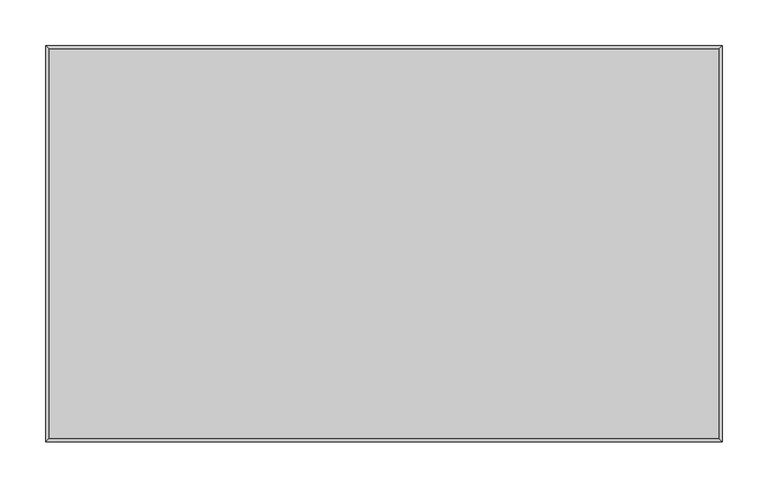
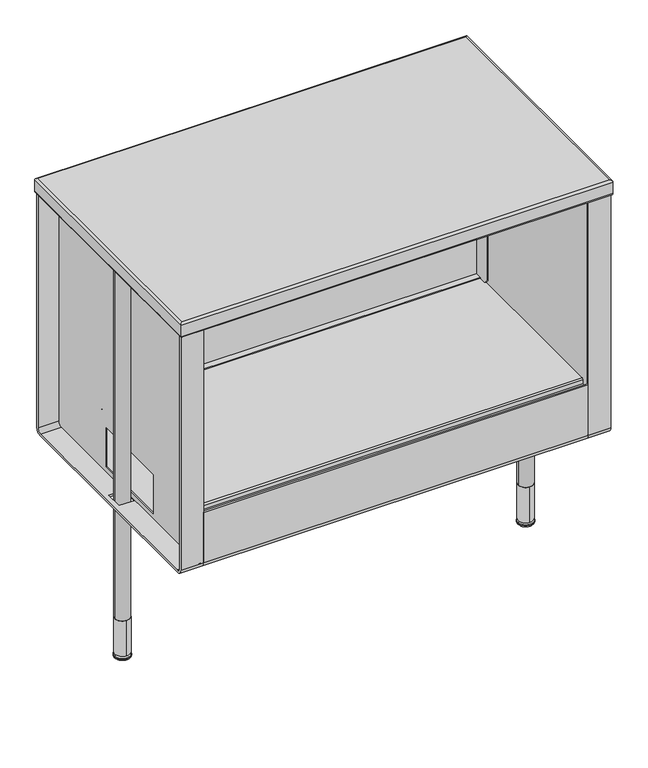
"""IFC4 building model written with IfcOpenShell, lengths in millimetres: furniture geometry."""

from ifc_helpers import new_model, si_unit, point, frame, frame_2d, origin, place, context, project, spatial, polyline, circle_curve, ellipse_curve, trimmed, segment, composite_curve, outline, extrude, source, transform, mapped, element, save
from ifc_brep_helpers import plane_surface, cylinder_surface, revolved_surface, advanced_brep


def furniture_49068197(model_context):
    return source(origin(), model_context, "Body", "SolidModel", [
        advanced_brep(
        [(24.4408478, -215.9008296, 0.0), (13.2648484, -215.9008296, 0.0), (35.6168472, -215.9008296, 0.0), (10.5869455, -215.9008296, 2.422115), (38.2947501, -215.9008296, 2.422115), (11.0224286, -215.9008296, 3.7265795), (37.8592671, -215.9008296, 3.7265795), (14.6171583, -215.9008296, 7.4421999), (34.2645373, -215.9008296, 7.4421999), (24.4408478, -203.2008236, 70.9421996), (24.4408478, -228.6008357, 70.9421996), (24.4408478, -203.2008236, 7.4421999), (24.4408478, -228.6008357, 7.4421999)],
        [
            (0, 1),
            (1, 2, circle_curve(frame((24.4408478, -215.9008296, 0.0), z_axis=(0.0, 0.0, -1.0), x_axis=(-1.0, 0.0, 0.0)), 11.1759994)),
            (2, 0),
            (2, 1, circle_curve(frame((24.4408478, -215.9008296, 0.0), z_axis=(0.0, 0.0, -1.0), x_axis=(-1.0, 0.0, 0.0)), 11.1759994)),
            (1, 3, circle_curve(frame((13.3318533, -215.9008296, 2.7654901), z_axis=(0.0, 1.0, 0.0), x_axis=(1.0, 0.0, 0.0)), 2.7663017)),
            (3, 4, circle_curve(frame((24.4408478, -215.9008296, 2.422115), z_axis=(0.0, 0.0, -1.0), x_axis=(-1.0, 0.0, 0.0)), 13.8539023)),
            (4, 2, circle_curve(frame((35.5498424, -215.9008296, 2.7654901), z_axis=(0.0, 1.0, 0.0), x_axis=(-1.0, 0.0, 0.0)), 2.7663017)),
            (4, 3, circle_curve(frame((24.4408478, -215.9008296, 2.422115), z_axis=(0.0, 0.0, -1.0), x_axis=(-1.0, 0.0, 0.0)), 13.8539023)),
            (3, 5, circle_curve(frame((12.1665197, -215.9008296, 2.6197123), z_axis=(0.0, 1.0, 0.0), x_axis=(1.0, 0.0, 0.0)), 1.5918854)),
            (5, 6, circle_curve(frame((24.4408478, -215.9008296, 3.7265795), z_axis=(0.0, 0.0, -1.0), x_axis=(-1.0, 0.0, 0.0)), 13.4184192)),
            (6, 4, circle_curve(frame((36.715176, -215.9008296, 2.6197123), z_axis=(0.0, 1.0, 0.0), x_axis=(-1.0, 0.0, 0.0)), 1.5918854)),
            (6, 5, circle_curve(frame((24.4408478, -215.9008296, 3.7265795), z_axis=(0.0, 0.0, -1.0), x_axis=(-1.0, 0.0, 0.0)), 13.4184192)),
            (5, 7),
            (7, 8, circle_curve(frame((24.4408478, -215.9008296, 7.4421999), z_axis=(0.0, 0.0, -1.0), x_axis=(-1.0, 0.0, 0.0)), 9.8236895)),
            (8, 6),
            (8, 7, circle_curve(frame((24.4408478, -215.9008296, 7.4421999), z_axis=(0.0, 0.0, -1.0), x_axis=(-1.0, 0.0, 0.0)), 9.8236895)),
            (9, 10, circle_curve(frame((24.4408478, -215.9008296, 70.9421996), z_axis=(0.0, 0.0, 1.0), x_axis=(0.0, -1.0, 0.0)), 12.7000061)),
            (10, 9, circle_curve(frame((24.4408478, -215.9008296, 70.9421996), z_axis=(0.0, 0.0, 1.0), x_axis=(0.0, -1.0, 0.0)), 12.7000061)),
            (11, 12, circle_curve(frame((24.4408478, -215.9008296, 7.4421999), z_axis=(0.0, 0.0, -1.0), x_axis=(0.0, -1.0, 0.0)), 12.7000061)),
            (12, 11, circle_curve(frame((24.4408478, -215.9008296, 7.4421999), z_axis=(0.0, 0.0, -1.0), x_axis=(0.0, -1.0, 0.0)), 12.7000061)),
            (10, 12),
            (11, 9),
        ],
        [
            plane_surface(frame((24.4408478, -215.9008296, 0.0), z_axis=(0.0, 0.0, -1.0), x_axis=(-1.0, 0.0, 0.0))),
            revolved_surface(trimmed(ellipse_curve(frame((13.3318533, -215.9008296, 2.7654901), z_axis=(0.0, -1.0, 0.0), x_axis=(1.0, 0.0, 0.0)), 2.7663017, 2.7663017), [point((10.5869455, -215.9008296, 2.422115))], [point((13.2648484, -215.9008296, 0.0))], True, "CARTESIAN"), (24.4408478, -215.9008296, -2.8432981), (0.0, 0.0, -1.0)),
            revolved_surface(trimmed(ellipse_curve(frame((12.1665197, -215.9008296, 2.6197123), z_axis=(0.0, -1.0, 0.0), x_axis=(1.0, 0.0, 0.0)), 1.5918854, 1.5918854), [point((11.0224286, -215.9008296, 3.7265795))], [point((10.5869455, -215.9008296, 2.422115))], True, "CARTESIAN"), (24.4408478, -215.9008296, -2.8432981), (0.0, 0.0, -1.0)),
            revolved_surface(polyline([(14.6171583, -215.9008296, 7.4421999), (11.0224286, -215.9008296, 3.7265795)]), (24.4408478, -215.9008296, -2.8432981), (0.0, 0.0, -1.0)),
            plane_surface(frame((24.4408478, -228.6008357, 70.9421996), z_axis=(0.0, 0.0, 1.0), x_axis=(1.0, 0.0, 0.0))),
            plane_surface(frame((24.4408478, -228.6008357, 7.4421999), z_axis=(0.0, 0.0, -1.0), x_axis=(-1.0, 0.0, 0.0))),
            cylinder_surface(frame((24.4408478, -215.9008296, 70.9421996), z_axis=(0.0, 0.0, -1.0), x_axis=(0.0, -1.0, 0.0)), 12.7000061),
        ],
        [
            (0, [[1, 2, 3]]),
            (0, [[-1, -3, 4]]),
            (1, [[-2, 5, 6, 7]]),
            (1, [[-4, -7, 8, -5]]),
            (2, [[-6, 9, 10, 11]]),
            (2, [[-8, -11, 12, -9]]),
            (3, [[-10, 13, 14, 15]]),
            (3, [[-12, -15, 16, -13]]),
            (4, [[17, 18]]),
            (5, [[19, 20], [-14, -16]]),
            (6, [[-18, 21, -19, 22]]),
            (6, [[-17, -22, -20, -21]]),
        ],
    ),
        advanced_brep(
        [(712.1587109, -203.2008236, 70.9421996), (712.1587109, -228.6008357, 70.9421996), (712.1587109, -203.2008236, 7.4421999), (712.1587109, -228.6008357, 7.4421999), (721.9828417, -215.9008296, 7.4421999), (702.33458, -215.9008296, 7.4421999), (700.9822702, -215.9008296, 0.0), (723.3351516, -215.9008296, 0.0), (712.1587109, -215.9008296, 0.0), (698.3043672, -215.9008296, 2.422115), (726.0130545, -215.9008296, 2.422115), (698.7398503, -215.9008296, 3.7265795), (725.5775714, -215.9008296, 3.7265795)],
        [
            (0, 1, circle_curve(frame((712.1587109, -215.9008296, 70.9421996), z_axis=(0.0, 0.0, 1.0), x_axis=(0.0, -1.0, 0.0)), 12.7000061)),
            (1, 0, circle_curve(frame((712.1587109, -215.9008296, 70.9421996), z_axis=(0.0, 0.0, 1.0), x_axis=(0.0, -1.0, 0.0)), 12.7000061)),
            (2, 3, circle_curve(frame((712.1587109, -215.9008296, 7.4421999), z_axis=(0.0, 0.0, -1.0), x_axis=(0.0, -1.0, 0.0)), 12.7000061)),
            (3, 2, circle_curve(frame((712.1587109, -215.9008296, 7.4421999), z_axis=(0.0, 0.0, -1.0), x_axis=(0.0, -1.0, 0.0)), 12.7000061)),
            (4, 5, circle_curve(frame((712.1587109, -215.9008296, 7.4421999), z_axis=(0.0, 0.0, 1.0), x_axis=(1.0, 0.0, 0.0)), 9.8241308)),
            (5, 4, circle_curve(frame((712.1587109, -215.9008296, 7.4421999), z_axis=(0.0, 0.0, 1.0), x_axis=(1.0, 0.0, 0.0)), 9.8241308)),
            (1, 3),
            (2, 0),
            (6, 7, circle_curve(frame((712.1587109, -215.9008296, 0.0), z_axis=(0.0, 0.0, -1.0), x_axis=(1.0, 0.0, 0.0)), 11.1764407)),
            (7, 8),
            (8, 6),
            (7, 6, circle_curve(frame((712.1587109, -215.9008296, 0.0), z_axis=(0.0, 0.0, -1.0), x_axis=(1.0, 0.0, 0.0)), 11.1764407)),
            (6, 9, circle_curve(frame((701.049275, -215.9008296, 2.7654901), z_axis=(0.0, 1.0, 0.0), x_axis=(1.0, 0.0, 0.0)), 2.7663017)),
            (9, 10, circle_curve(frame((712.1587109, -215.9008296, 2.422115), z_axis=(0.0, 0.0, -1.0), x_axis=(1.0, 0.0, 0.0)), 13.8543436)),
            (10, 7, circle_curve(frame((723.2681467, -215.9008296, 2.7654901), z_axis=(0.0, 1.0, 0.0), x_axis=(-1.0, 0.0, 0.0)), 2.7663017)),
            (10, 9, circle_curve(frame((712.1587109, -215.9008296, 2.422115), z_axis=(0.0, 0.0, -1.0), x_axis=(1.0, 0.0, 0.0)), 13.8543436)),
            (9, 11, circle_curve(frame((699.8839414, -215.9008296, 2.6197123), z_axis=(0.0, 1.0, 0.0), x_axis=(1.0, 0.0, 0.0)), 1.5918854)),
            (11, 12, circle_curve(frame((712.1587109, -215.9008296, 3.7265795), z_axis=(0.0, 0.0, -1.0), x_axis=(1.0, 0.0, 0.0)), 13.4188606)),
            (12, 10, circle_curve(frame((724.4334803, -215.9008296, 2.6197123), z_axis=(0.0, 1.0, 0.0), x_axis=(-1.0, 0.0, 0.0)), 1.5918854)),
            (12, 11, circle_curve(frame((712.1587109, -215.9008296, 3.7265795), z_axis=(0.0, 0.0, -1.0), x_axis=(1.0, 0.0, 0.0)), 13.4188606)),
            (11, 5),
            (4, 12),
        ],
        [
            plane_surface(frame((24.4408478, -228.6008357, 70.9421996), z_axis=(0.0, 0.0, 1.0), x_axis=(1.0, 0.0, 0.0))),
            plane_surface(frame((24.4408478, -228.6008357, 7.4421999), z_axis=(0.0, 0.0, -1.0), x_axis=(-1.0, 0.0, 0.0))),
            cylinder_surface(frame((712.1587109, -215.9008296, 738.0741348), z_axis=(0.0, 0.0, -1.0), x_axis=(0.0, -1.0, 0.0)), 12.7000061),
            plane_surface(frame((712.1587109, -215.9008296, 0.0), z_axis=(0.0, 0.0, -1.0), x_axis=(1.0, 0.0, 0.0))),
            revolved_surface(trimmed(ellipse_curve(frame((723.2681467, -215.9008296, 2.7654901), z_axis=(0.0, -1.0, 0.0), x_axis=(-1.0, 0.0, 0.0)), 2.7663017, 2.7663017), [point((723.3351516, -215.9008296, 0.0))], [point((726.0130545, -215.9008296, 2.422115))], True, "CARTESIAN"), (712.1587109, -215.9008296, -2.8432981), (0.0, 0.0, 1.0)),
            revolved_surface(trimmed(ellipse_curve(frame((724.4334803, -215.9008296, 2.6197123), z_axis=(0.0, -1.0, 0.0), x_axis=(-1.0, 0.0, 0.0)), 1.5918854, 1.5918854), [point((726.0130545, -215.9008296, 2.422115))], [point((725.5775714, -215.9008296, 3.7265795))], True, "CARTESIAN"), (712.1587109, -215.9008296, -2.8432981), (0.0, 0.0, 1.0)),
            revolved_surface(polyline([(725.5775714, -215.9008296, 3.7265795), (721.9828417, -215.9008296, 7.4421999)]), (712.1587109, -215.9008296, -2.8432981), (0.0, 0.0, 1.0)),
        ],
        [
            (0, [[1, 2]]),
            (1, [[3, 4], [5, 6]]),
            (2, [[-2, 7, -3, 8]]),
            (2, [[-1, -8, -4, -7]]),
            (3, [[9, 10, 11]]),
            (3, [[-10, 12, -11]]),
            (4, [[-9, 13, 14, 15]]),
            (4, [[-12, -15, 16, -13]]),
            (5, [[-14, 17, 18, 19]]),
            (5, [[-16, -19, 20, -17]]),
            (6, [[-18, 21, -5, 22]]),
            (6, [[-20, -22, -6, -21]]),
        ],
    ),
        extrude(outline(polyline([(87.9408531, -139.7313056), (87.9408531, -292.1312965), (11.7408486, -292.1312965), (11.7408486, -139.7313056), (87.9408531, -139.7313056)])), frame((0.0, 0.0, 704.85), z_axis=(0.0, 0.0, 1.0), x_axis=(1.0, 0.0, 0.0)), (0.0, 0.0, 1.0), 6.3509205),
        extrude(outline(polyline([(648.6587351, -139.7313056), (724.8587351, -139.7313056), (724.8587351, -292.1312965), (648.6587351, -292.1312965), (648.6587351, -139.7313056)])), frame((0.0, 0.0, 704.85), z_axis=(0.0, 0.0, 1.0), x_axis=(1.0, 0.0, 0.0)), (0.0, 0.0, 1.0), 6.3509205),
        extrude(outline(composite_curve([segment(trimmed(circle_curve(frame_2d((712.1587109, -215.9008296)), 12.7000061), [point((724.8587169, -215.9008296))], [point((699.4587048, -215.9008296))], False, "CARTESIAN"), True, "CONTINUOUS"), segment(trimmed(circle_curve(frame_2d((712.1587109, -215.9008296)), 12.7000061), [point((699.4587048, -215.9008296))], [point((724.8587169, -215.9008296))], False, "CARTESIAN"), True, "CONTINUOUS")], self_intersect=False)), frame((0.0, 0.0, 70.9421996), z_axis=(0.0, 0.0, 1.0), x_axis=(1.0, 0.0, 0.0)), (0.0, 0.0, 1.0), 633.9078004),
        extrude(outline(composite_curve([segment(trimmed(circle_curve(frame_2d((24.4408478, -215.9008296)), 12.7000061), [point((37.1408539, -215.9008296))], [point((11.7408418, -215.9008296))], False, "CARTESIAN"), True, "CONTINUOUS"), segment(trimmed(circle_curve(frame_2d((24.4408478, -215.9008296)), 12.7000061), [point((11.7408418, -215.9008296))], [point((37.1408539, -215.9008296))], False, "CARTESIAN"), True, "CONTINUOUS")], self_intersect=False)), frame((0.0, 0.0, 70.9421996), z_axis=(0.0, 0.0, 1.0), x_axis=(1.0, 0.0, 0.0)), (0.0, 0.0, 1.0), 633.9078004),
        advanced_brep(
        [(696.7092905, -99.4876865, 711.2009205), (696.7092905, -100.701802, 711.2009205), (696.7092905, -100.701802, 704.462451), (696.7092905, -122.350849, 704.462451), (696.7092905, -131.2376834, 695.5756165), (696.7092905, -131.2376834, 391.4782751), (696.7092905, -122.3476834, 382.5882751), (696.7092905, -99.4876865, 382.5882751), (39.8907095, -99.4876865, 711.2009205), (39.8907095, -99.4876865, 382.5882751), (39.8907095, -122.3476834, 382.5882751), (39.8907095, -131.2376834, 391.4782751), (39.8907095, -131.2376834, 695.5756165), (39.8907095, -122.350849, 704.462451), (39.8907095, -100.701802, 704.462451), (39.8907095, -100.701802, 711.2009205), (41.7498453, -100.701802, 704.462451), (41.7498453, -100.701802, 383.8154168), (694.8501547, -100.701802, 383.8154168), (694.8501547, -100.701802, 704.462451), (694.8501547, -122.3476834, 382.5882751), (694.8501547, -112.1876834, 382.5882751), (41.7498453, -112.1876834, 382.5882751), (41.7498453, -122.3476834, 382.5882751), (41.7498453, -112.1876834, 383.8154168), (694.8501547, -112.1876834, 383.8154168), (41.7498453, -122.350849, 704.462451), (41.7498453, -131.2376834, 695.5756165), (41.7498453, -131.2376834, 391.4782751), (694.8501547, -122.350849, 704.462451), (694.8501547, -131.2376834, 391.4782751), (694.8501547, -131.2376834, 695.5756165)],
        [
            (0, 1),
            (1, 2),
            (2, 3),
            (3, 4, circle_curve(frame((696.7092905, -122.350849, 695.5756165), z_axis=(1.0, 0.0, 0.0), x_axis=(0.0, -1.0, 0.0)), 8.8868345)),
            (4, 5),
            (5, 6, circle_curve(frame((696.7092905, -122.3476834, 391.4782751), z_axis=(1.0, 0.0, 0.0), x_axis=(0.0, -1.0, 0.0)), 8.89)),
            (6, 7),
            (7, 0),
            (8, 9),
            (9, 10),
            (10, 11, circle_curve(frame((39.8907095, -122.3476834, 391.4782751), z_axis=(-1.0, 0.0, 0.0), x_axis=(0.0, -1.0, 0.0)), 8.89)),
            (11, 12),
            (12, 13, circle_curve(frame((39.8907095, -122.350849, 695.5756165), z_axis=(-1.0, 0.0, 0.0), x_axis=(0.0, -1.0, 0.0)), 8.8868345)),
            (13, 14),
            (14, 15),
            (15, 8),
            (0, 8),
            (15, 1),
            (14, 16),
            (16, 17),
            (17, 18),
            (18, 19),
            (19, 2),
            (9, 7),
            (6, 20),
            (20, 21),
            (21, 22),
            (22, 23),
            (23, 10),
            (17, 24),
            (24, 25),
            (25, 18),
            (24, 22),
            (21, 25),
            (26, 27, circle_curve(frame((41.7498453, -122.350849, 695.5756165), z_axis=(1.0, 0.0, 0.0), x_axis=(0.0, -1.0, 0.0)), 8.8868345)),
            (27, 28),
            (28, 23, circle_curve(frame((41.7498453, -122.3476834, 391.4782751), z_axis=(1.0, 0.0, 0.0), x_axis=(0.0, -1.0, 0.0)), 8.89)),
            (16, 26),
            (26, 13),
            (12, 27),
            (11, 28),
            (29, 19),
            (20, 30, circle_curve(frame((694.8501547, -122.3476834, 391.4782751), z_axis=(-1.0, 0.0, 0.0), x_axis=(0.0, -1.0, 0.0)), 8.89)),
            (30, 31),
            (31, 29, circle_curve(frame((694.8501547, -122.350849, 695.5756165), z_axis=(-1.0, 0.0, 0.0), x_axis=(0.0, -1.0, 0.0)), 8.8868345)),
            (31, 4),
            (3, 29),
            (30, 5),
        ],
        [
            plane_surface(frame((696.7092905, -100.701802, 711.2009205), z_axis=(1.0, 0.0, 0.0), x_axis=(0.0, -1.0, 0.0))),
            plane_surface(frame((39.8907095, -100.701802, 711.2009205), z_axis=(-1.0, 0.0, 0.0), x_axis=(0.0, 1.0, 0.0))),
            plane_surface(frame((696.7092905, -99.4876865, 711.2009205), z_axis=(0.0, 0.0, 1.0), x_axis=(-1.0, 0.0, 0.0))),
            plane_surface(frame((696.7092905, -100.701802, 711.2009205), z_axis=(0.0, -1.0, 0.0), x_axis=(-1.0, 0.0, 0.0))),
            plane_surface(frame((696.7092905, -112.1876834, 382.5882751), z_axis=(0.0, 0.0, -1.0), x_axis=(-1.0, 0.0, 0.0))),
            plane_surface(frame((696.7092905, -99.4876865, 382.5882751), z_axis=(0.0, 1.0, 0.0), x_axis=(-1.0, 0.0, 0.0))),
            plane_surface(frame((696.7092905, -100.701802, 383.8154168), z_axis=(0.0, 0.0, 1.0), x_axis=(-1.0, 0.0, 0.0))),
            plane_surface(frame((696.7092905, -112.1876834, 383.8154168), z_axis=(0.0, -1.0, 0.0), x_axis=(-1.0, 0.0, 0.0))),
            plane_surface(frame((41.7498453, -131.2376834, 695.5756165), z_axis=(1.0, 0.0, 0.0), x_axis=(0.0, 0.0, -1.0))),
            cylinder_surface(frame((39.8907095, -122.350849, 695.5756165), z_axis=(1.0, 0.0, 0.0), x_axis=(0.0, -1.0, 0.0)), 8.8868345),
            plane_surface(frame((41.7498453, -131.2376834, 695.5756165), z_axis=(0.0, -1.0, 0.0), x_axis=(-1.0, 0.0, 0.0))),
            cylinder_surface(frame((39.8907095, -122.3476834, 391.4782751), z_axis=(1.0, 0.0, 0.0), x_axis=(0.0, -1.0, 0.0)), 8.89),
            plane_surface(frame((41.7498453, -100.701802, 704.462451), z_axis=(0.0, 0.0, 1.0), x_axis=(-1.0, 0.0, 0.0))),
            plane_surface(frame((694.8501547, -101.8448009, 704.462451), z_axis=(-1.0, 0.0, 0.0), x_axis=(0.0, 1.0, 0.0))),
            cylinder_surface(frame((696.7092905, -122.350849, 695.5756165), z_axis=(-1.0, 0.0, 0.0), x_axis=(0.0, -1.0, 0.0)), 8.8868345),
            plane_surface(frame((694.8501547, -131.2376834, 391.4782751), z_axis=(0.0, -1.0, 0.0), x_axis=(1.0, 0.0, 0.0))),
            cylinder_surface(frame((696.7092905, -122.3476834, 391.4782751), z_axis=(-1.0, 0.0, 0.0), x_axis=(0.0, -1.0, 0.0)), 8.89),
            plane_surface(frame((694.8501547, -122.350849, 704.462451), z_axis=(0.0, 0.0, 1.0), x_axis=(1.0, 0.0, 0.0))),
        ],
        [
            (0, [[1, 2, 3, 4, 5, 6, 7, 8]]),
            (1, [[9, 10, 11, 12, 13, 14, 15, 16]]),
            (2, [[-1, 17, -16, 18]]),
            (3, [[-18, -15, 19, 20, 21, 22, 23, -2]]),
            (4, [[24, -7, 25, 26, 27, 28, 29, -10]]),
            (5, [[-8, -24, -9, -17]]),
            (6, [[30, 31, 32, -21]]),
            (7, [[33, -27, 34, -31]]),
            (8, [[35, 36, 37, -28, -33, -30, -20, 38]]),
            (9, [[-35, 39, -13, 40]]),
            (10, [[-36, -40, -12, 41]]),
            (11, [[-37, -41, -11, -29]]),
            (12, [[-38, -19, -14, -39]]),
            (13, [[42, -22, -32, -34, -26, 43, 44, 45]]),
            (14, [[-45, 46, -4, 47]]),
            (15, [[-44, 48, -5, -46]]),
            (16, [[-43, -25, -6, -48]]),
            (17, [[-42, -47, -3, -23]]),
        ],
    ),
        extrude(outline(composite_curve([segment(trimmed(circle_curve(frame_2d((-417.6903046, 291.8967973)), 7.112), [point((-417.6903046, 284.7847973))], [point((-424.8023046, 291.8967973))], False, "CARTESIAN"), True, "CONTINUOUS"), segment(polyline([(-424.8023046, 291.8967973), (-424.8023046, 711.2009205), (-292.1312965, 711.2009205), (-292.1312965, 704.85), (-139.7313056, 704.85), (-139.7313056, 711.2009205), (-6.9722999, 711.2009205), (-6.9722999, 291.8967973)]), True, "CONTINUOUS"), segment(trimmed(circle_curve(frame_2d((-14.0842999, 291.8967973)), 7.112), [point((-6.9722999, 291.8967973))], [point((-14.0842999, 284.7847973))], False, "CARTESIAN"), True, "CONTINUOUS"), segment(polyline([(-14.0842999, 284.7847973), (-417.6903046, 284.7847973)]), True, "CONTINUOUS")], self_intersect=False), holes=[polyline([(-285.7818476, 363.775252), (-285.7818476, 293.9252459), (-146.0818446, 293.9252459), (-146.0818446, 363.775252), (-285.7818476, 363.775252)])]), frame((698.3478154, 0.0, 0.0), z_axis=(1.0, 0.0, 0.0), x_axis=(0.0, 1.0, 0.0)), (0.0, 0.0, 1.0), 1.2700011),
        extrude(outline(composite_curve([segment(trimmed(circle_curve(frame_2d((-417.6903046, 291.8967973)), 7.112), [point((-417.6903046, 284.7847973))], [point((-424.8023046, 291.8967973))], False, "CARTESIAN"), True, "CONTINUOUS"), segment(polyline([(-424.8023046, 291.8967973), (-424.8023046, 711.2009205), (-292.1312965, 711.2009205), (-292.1312965, 704.85), (-139.7313056, 704.85), (-139.7313056, 711.2009205), (-6.9722999, 711.2009205), (-6.9722999, 291.8967973)]), True, "CONTINUOUS"), segment(trimmed(circle_curve(frame_2d((-14.0842999, 291.8967973)), 7.112), [point((-6.9722999, 291.8967973))], [point((-14.0842999, 284.7847973))], False, "CARTESIAN"), True, "CONTINUOUS"), segment(polyline([(-14.0842999, 284.7847973), (-417.6903046, 284.7847973)]), True, "CONTINUOUS")], self_intersect=False), holes=[polyline([(-285.7818476, 363.775252), (-285.7818476, 293.9252459), (-146.0818446, 293.9252459), (-146.0818446, 363.775252), (-285.7818476, 363.775252)])]), frame((36.9821835, 0.0, 0.0), z_axis=(1.0, 0.0, 0.0), x_axis=(0.0, 1.0, 0.0)), (0.0, 0.0, 1.0), 1.2700011),
        advanced_brep(
        [(735.0125, -14.0842999, 284.7847973), (735.0125, -417.6903046, 284.7847973), (735.0125, -424.8023046, 291.8967973), (735.0125, -424.8023046, 711.2009205), (735.0125, -428.6122828, 711.2009205), (735.0125, -428.6122828, 291.1348009), (735.0125, -418.4522828, 280.9748009), (735.0125, -13.2599984, 280.9748009), (735.0125, -3.0953918, 291.1394074), (735.0125, -3.0953918, 711.2009205), (735.0125, -6.9722999, 711.2009205), (735.0125, -6.9722999, 291.8967973), (696.7092905, -14.0842999, 284.7847973), (696.7092905, -6.9722999, 291.8967973), (696.7092905, -6.9722999, 711.2009205), (696.7092905, -3.0953918, 711.2009205), (696.7092905, -3.0953918, 291.1394074), (696.7092905, -13.2599984, 280.9748009), (696.7092905, -418.4522828, 280.9748009), (696.7092905, -428.6122828, 291.1348009), (696.7092905, -428.6122828, 711.2009205), (696.7092905, -424.8023046, 711.2009205), (696.7092905, -424.8023046, 291.8967973), (696.7092905, -417.6903046, 284.7847973), (726.2692067, -200.6608296, 284.7847973), (726.2692067, -231.1408296, 284.7847973), (698.3478154, -231.1408296, 284.7847973), (698.3478154, -200.6608296, 284.7847973), (726.2692067, -231.1408296, 280.9748009), (726.2692067, -200.6608296, 280.9748009), (698.3478154, -200.6608296, 280.9748009), (698.3478154, -231.1408296, 280.9748009)],
        [
            (0, 1),
            (1, 2, circle_curve(frame((735.0125, -417.6903046, 291.8967973), z_axis=(-1.0, 0.0, 0.0), x_axis=(0.0, -1.0, 0.0)), 7.112)),
            (2, 3),
            (3, 4),
            (4, 5),
            (5, 6, circle_curve(frame((735.0125, -418.4522828, 291.1348009), z_axis=(1.0, 0.0, 0.0), x_axis=(0.0, -1.0, 0.0)), 10.16)),
            (6, 7),
            (7, 8, circle_curve(frame((735.0125, -13.2599984, 291.1394074), z_axis=(1.0, 0.0, 0.0), x_axis=(0.0, -1.0, 0.0)), 10.1646065)),
            (8, 9),
            (9, 10),
            (10, 11),
            (11, 0, circle_curve(frame((735.0125, -14.0842999, 291.8967973), z_axis=(-1.0, 0.0, 0.0), x_axis=(0.0, -1.0, 0.0)), 7.112)),
            (12, 13, circle_curve(frame((696.7092905, -14.0842999, 291.8967973), z_axis=(1.0, 0.0, 0.0), x_axis=(0.0, -1.0, 0.0)), 7.112)),
            (13, 14),
            (14, 15),
            (15, 16),
            (16, 17, circle_curve(frame((696.7092905, -13.2599984, 291.1394074), z_axis=(-1.0, 0.0, 0.0), x_axis=(0.0, -1.0, 0.0)), 10.1646065)),
            (17, 18),
            (18, 19, circle_curve(frame((696.7092905, -418.4522828, 291.1348009), z_axis=(-1.0, 0.0, 0.0), x_axis=(0.0, -1.0, 0.0)), 10.16)),
            (19, 20),
            (20, 21),
            (21, 22),
            (22, 23, circle_curve(frame((696.7092905, -417.6903046, 291.8967973), z_axis=(1.0, 0.0, 0.0), x_axis=(0.0, -1.0, 0.0)), 7.112)),
            (23, 12),
            (0, 12),
            (23, 1),
            (24, 25),
            (25, 26),
            (26, 27),
            (27, 24),
            (22, 2),
            (21, 3),
            (20, 4),
            (19, 5),
            (18, 6),
            (17, 7),
            (28, 29),
            (29, 30),
            (30, 31),
            (31, 28),
            (16, 8),
            (15, 9),
            (14, 10),
            (13, 11),
            (24, 29),
            (28, 25),
            (31, 26),
            (30, 27),
        ],
        [
            plane_surface(frame((735.0125, -21.1962999, 291.8967973), z_axis=(1.0, 0.0, 0.0), x_axis=(0.0, 0.0, 1.0))),
            plane_surface(frame((696.7092905, -21.1962999, 291.8967973), z_axis=(-1.0, 0.0, 0.0), x_axis=(0.0, 0.0, -1.0))),
            plane_surface(frame((696.7092905, -417.6903046, 284.7847973), z_axis=(0.0, 0.0, 1.0), x_axis=(1.0, 0.0, 0.0))),
            revolved_surface(polyline([(735.0125, -424.8023046, 291.8967973), (696.7092905, -424.8023046, 291.8967973)]), (735.0125, -417.6903046, 291.8967973), (1.0, 0.0, 0.0)),
            plane_surface(frame((696.7092905, -424.8023046, 711.2009205), z_axis=(0.0, 1.0, 0.0), x_axis=(1.0, 0.0, 0.0))),
            plane_surface(frame((696.7092905, -428.6122828, 711.2009205), z_axis=(0.0, 0.0, 1.0), x_axis=(1.0, 0.0, 0.0))),
            plane_surface(frame((696.7092905, -428.6122828, 291.1348009), z_axis=(0.0, -1.0, 0.0), x_axis=(1.0, 0.0, 0.0))),
            cylinder_surface(frame((735.0125, -418.4522828, 291.1348009), z_axis=(-1.0, 0.0, 0.0), x_axis=(0.0, -1.0, 0.0)), 10.16),
            plane_surface(frame((696.7092905, -13.2599984, 280.9748009), z_axis=(0.0, 0.0, -1.0), x_axis=(1.0, 0.0, 0.0))),
            cylinder_surface(frame((735.0125, -13.2599984, 291.1394074), z_axis=(-1.0, 0.0, 0.0), x_axis=(0.0, -1.0, 0.0)), 10.1646065),
            plane_surface(frame((696.7092905, -3.0953918, 711.2009205), z_axis=(0.0, 1.0, 0.0), x_axis=(1.0, 0.0, 0.0))),
            plane_surface(frame((696.7092905, -6.9722999, 711.2009205), z_axis=(0.0, 0.0, 1.0), x_axis=(1.0, 0.0, 0.0))),
            plane_surface(frame((696.7092905, -6.9722999, 291.8967973), z_axis=(0.0, -1.0, 0.0), x_axis=(1.0, 0.0, 0.0))),
            revolved_surface(polyline([(735.0125, -21.1962999, 291.8967973), (696.7092905, -21.1962999, 291.8967973)]), (735.0125, -14.0842999, 291.8967973), (1.0, 0.0, 0.0)),
            plane_surface(frame((726.2692067, -200.6608296, 280.9748009), z_axis=(-1.0, 0.0, 0.0), x_axis=(0.0, 0.0, 1.0))),
            plane_surface(frame((726.2692067, -231.1408296, 280.9748009), z_axis=(0.0, 1.0, 0.0), x_axis=(0.0, 0.0, 1.0))),
            plane_surface(frame((698.3478154, -231.1408296, 280.9748009), z_axis=(1.0, 0.0, 0.0), x_axis=(0.0, 0.0, 1.0))),
            plane_surface(frame((698.3478154, -200.6608296, 280.9748009), z_axis=(0.0, -1.0, 0.0), x_axis=(0.0, 0.0, 1.0))),
        ],
        [
            (0, [[1, 2, 3, 4, 5, 6, 7, 8, 9, 10, 11, 12]]),
            (1, [[13, 14, 15, 16, 17, 18, 19, 20, 21, 22, 23, 24]]),
            (2, [[-1, 25, -24, 26], [27, 28, 29, 30]]),
            (3, [[-2, -26, -23, 31]]),
            (4, [[-3, -31, -22, 32]]),
            (5, [[-4, -32, -21, 33]]),
            (6, [[-5, -33, -20, 34]]),
            (7, [[-6, -34, -19, 35]]),
            (8, [[-7, -35, -18, 36], [37, 38, 39, 40]]),
            (9, [[-8, -36, -17, 41]]),
            (10, [[-9, -41, -16, 42]]),
            (11, [[-10, -42, -15, 43]]),
            (12, [[-11, -43, -14, 44]]),
            (13, [[-12, -44, -13, -25]]),
            (14, [[45, -37, 46, -27]]),
            (15, [[-46, -40, 47, -28]]),
            (16, [[-47, -39, 48, -29]]),
            (17, [[-45, -30, -48, -38]]),
        ],
    ),
        advanced_brep(
        [(1.5875, -14.0842999, 284.7847973), (1.5875, -6.9722999, 291.8967973), (1.5875, -6.9722999, 711.2009205), (1.5875, -3.0953918, 711.2009205), (1.5875, -3.0953918, 291.1394074), (1.5875, -13.2599984, 280.9748009), (1.5875, -418.4522828, 280.9748009), (1.5875, -428.6122828, 291.1348009), (1.5875, -428.6122828, 711.2009205), (1.5875, -424.8023046, 711.2009205), (1.5875, -424.8023046, 291.8967973), (1.5875, -417.6903046, 284.7847973), (39.8907095, -14.0842999, 284.7847973), (39.8907095, -417.6903046, 284.7847973), (39.8907095, -424.8023046, 291.8967973), (39.8907095, -424.8023046, 711.2009205), (39.8907095, -428.6122828, 711.2009205), (39.8907095, -428.6122828, 291.1348009), (39.8907095, -418.4522828, 280.9748009), (39.8907095, -13.2599984, 280.9748009), (39.8907095, -3.0953918, 291.1394074), (39.8907095, -3.0953918, 711.2009205), (39.8907095, -6.9722999, 711.2009205), (39.8907095, -6.9722999, 291.8967973), (10.3307933, -200.6608296, 284.7847973), (38.2521846, -200.6608296, 284.7847973), (38.2521846, -231.1408296, 284.7847973), (10.3307933, -231.1408296, 284.7847973), (38.2521846, -200.6608296, 280.9748009), (10.3307933, -200.6608296, 280.9748009), (10.3307933, -231.1408296, 280.9748009), (38.2521846, -231.1408296, 280.9748009)],
        [
            (0, 1, circle_curve(frame((1.5875, -14.0842999, 291.8967973), z_axis=(1.0, 0.0, 0.0), x_axis=(0.0, -1.0, 0.0)), 7.112)),
            (1, 2),
            (2, 3),
            (3, 4),
            (4, 5, circle_curve(frame((1.5875, -13.2599984, 291.1394074), z_axis=(-1.0, 0.0, 0.0), x_axis=(0.0, -1.0, 0.0)), 10.1646065)),
            (5, 6),
            (6, 7, circle_curve(frame((1.5875, -418.4522828, 291.1348009), z_axis=(-1.0, 0.0, 0.0), x_axis=(0.0, -1.0, 0.0)), 10.16)),
            (7, 8),
            (8, 9),
            (9, 10),
            (10, 11, circle_curve(frame((1.5875, -417.6903046, 291.8967973), z_axis=(1.0, 0.0, 0.0), x_axis=(0.0, -1.0, 0.0)), 7.112)),
            (11, 0),
            (12, 13),
            (13, 14, circle_curve(frame((39.8907095, -417.6903046, 291.8967973), z_axis=(-1.0, 0.0, 0.0), x_axis=(0.0, -1.0, 0.0)), 7.112)),
            (14, 15),
            (15, 16),
            (16, 17),
            (17, 18, circle_curve(frame((39.8907095, -418.4522828, 291.1348009), z_axis=(1.0, 0.0, 0.0), x_axis=(0.0, -1.0, 0.0)), 10.16)),
            (18, 19),
            (19, 20, circle_curve(frame((39.8907095, -13.2599984, 291.1394074), z_axis=(1.0, 0.0, 0.0), x_axis=(0.0, -1.0, 0.0)), 10.1646065)),
            (20, 21),
            (21, 22),
            (22, 23),
            (23, 12, circle_curve(frame((39.8907095, -14.0842999, 291.8967973), z_axis=(-1.0, 0.0, 0.0), x_axis=(0.0, -1.0, 0.0)), 7.112)),
            (11, 13),
            (12, 0),
            (24, 25),
            (25, 26),
            (26, 27),
            (27, 24),
            (10, 14),
            (9, 15),
            (8, 16),
            (7, 17),
            (6, 18),
            (5, 19),
            (28, 29),
            (29, 30),
            (30, 31),
            (31, 28),
            (4, 20),
            (3, 21),
            (2, 22),
            (1, 23),
            (24, 29),
            (28, 25),
            (31, 26),
            (30, 27),
        ],
        [
            plane_surface(frame((1.5875, -417.9506879, 284.7847973), z_axis=(-1.0, 0.0, 0.0), x_axis=(0.0, 1.0, 0.0))),
            plane_surface(frame((39.8907095, -417.9506879, 284.7847973), z_axis=(1.0, 0.0, 0.0), x_axis=(0.0, -1.0, 0.0))),
            plane_surface(frame((39.8907095, -14.0842999, 284.7847973), z_axis=(0.0, 0.0, 1.0), x_axis=(-1.0, 0.0, 0.0))),
            revolved_surface(polyline([(1.5875, -424.8023046, 291.8967973), (39.8907095, -424.8023046, 291.8967973)]), (1.5875, -417.6903046, 291.8967973), (-1.0, 0.0, 0.0)),
            plane_surface(frame((39.8907095, -424.8023046, 291.8967973), z_axis=(0.0, 1.0, 0.0), x_axis=(-1.0, 0.0, 0.0))),
            plane_surface(frame((39.8907095, -424.8023046, 711.2009205), z_axis=(0.0, 0.0, 1.0), x_axis=(-1.0, 0.0, 0.0))),
            plane_surface(frame((39.8907095, -428.6122828, 711.2009205), z_axis=(0.0, -1.0, 0.0), x_axis=(-1.0, 0.0, 0.0))),
            cylinder_surface(frame((1.5875, -418.4522828, 291.1348009), z_axis=(1.0, 0.0, 0.0), x_axis=(0.0, -1.0, 0.0)), 10.16),
            plane_surface(frame((39.8907095, -418.4522828, 280.9748009), z_axis=(0.0, 0.0, -1.0), x_axis=(-1.0, 0.0, 0.0))),
            cylinder_surface(frame((1.5875, -13.2599984, 291.1394074), z_axis=(1.0, 0.0, 0.0), x_axis=(0.0, -1.0, 0.0)), 10.1646065),
            plane_surface(frame((39.8907095, -3.0953918, 291.1394074), z_axis=(0.0, 1.0, 0.0), x_axis=(-1.0, 0.0, 0.0))),
            plane_surface(frame((39.8907095, -3.0953918, 711.2009205), z_axis=(0.0, 0.0, 1.0), x_axis=(-1.0, 0.0, 0.0))),
            plane_surface(frame((39.8907095, -6.9722999, 711.2009205), z_axis=(0.0, -1.0, 0.0), x_axis=(-1.0, 0.0, 0.0))),
            revolved_surface(polyline([(1.5875, -21.1962999, 291.8967973), (39.8907095, -21.1962999, 291.8967973)]), (1.5875, -14.0842999, 291.8967973), (-1.0, 0.0, 0.0)),
            plane_surface(frame((10.3307933, -200.6608296, 280.9748009), z_axis=(0.0, -1.0, 0.0), x_axis=(0.0, 0.0, 1.0))),
            plane_surface(frame((38.2521846, -200.6608296, 280.9748009), z_axis=(-1.0, 0.0, 0.0), x_axis=(0.0, 0.0, 1.0))),
            plane_surface(frame((38.2521846, -231.1408296, 280.9748009), z_axis=(0.0, 1.0, 0.0), x_axis=(0.0, 0.0, 1.0))),
            plane_surface(frame((10.3307933, -231.1408296, 280.9748009), z_axis=(1.0, 0.0, 0.0), x_axis=(0.0, 0.0, 1.0))),
        ],
        [
            (0, [[1, 2, 3, 4, 5, 6, 7, 8, 9, 10, 11, 12]]),
            (1, [[13, 14, 15, 16, 17, 18, 19, 20, 21, 22, 23, 24]]),
            (2, [[-12, 25, -13, 26], [27, 28, 29, 30]]),
            (3, [[-11, 31, -14, -25]]),
            (4, [[-10, 32, -15, -31]]),
            (5, [[-9, 33, -16, -32]]),
            (6, [[-8, 34, -17, -33]]),
            (7, [[-7, 35, -18, -34]]),
            (8, [[-6, 36, -19, -35], [37, 38, 39, 40]]),
            (9, [[-5, 41, -20, -36]]),
            (10, [[-4, 42, -21, -41]]),
            (11, [[-3, 43, -22, -42]]),
            (12, [[-2, 44, -23, -43]]),
            (13, [[-1, -26, -24, -44]]),
            (14, [[45, -37, 46, -27]]),
            (15, [[-46, -40, 47, -28]]),
            (16, [[-47, -39, 48, -29]]),
            (17, [[-45, -30, -48, -38]]),
        ],
    ),
        extrude(outline(composite_curve([segment(trimmed(circle_curve(frame_2d((-418.4522828, 291.1348009)), 10.16), [point((-418.4522828, 280.9748009))], [point((-428.6122828, 291.1348009))], False, "CARTESIAN"), True, "CONTINUOUS"), segment(polyline([(-428.6122828, 291.1348009), (-428.6122828, 381.445249)]), True, "CONTINUOUS"), segment(trimmed(circle_curve(frame_2d((-427.4358284, 381.445249)), 1.1764544), [point((-428.6122828, 381.445249))], [point((-426.259374, 381.445249))], False, "CARTESIAN"), True, "CONTINUOUS"), segment(polyline([(-426.259374, 381.445249), (-426.259374, 373.5712747), (-411.6289807, 373.5712747), (-411.6289807, 380.0482751)]), True, "CONTINUOUS"), segment(trimmed(circle_curve(frame_2d((-409.0889807, 380.0482751)), 2.54), [point((-411.6289807, 380.0482751))], [point((-409.0889807, 382.5882751))], False, "CARTESIAN"), True, "CONTINUOUS"), segment(polyline([(-409.0889807, 382.5882751), (-5.6265434, 382.5882751)]), True, "CONTINUOUS"), segment(trimmed(circle_curve(frame_2d((-5.6265434, 380.0571235)), 2.5311516), [point((-5.6265434, 382.5882751))], [point((-3.0953918, 380.0571235))], False, "CARTESIAN"), True, "CONTINUOUS"), segment(polyline([(-3.0953918, 380.0571235), (-3.0953918, 291.1394074)]), True, "CONTINUOUS"), segment(trimmed(circle_curve(frame_2d((-13.2599984, 291.1394074)), 10.1646065), [point((-3.0953918, 291.1394074))], [point((-13.2599984, 280.9748009))], False, "CARTESIAN"), True, "CONTINUOUS"), segment(polyline([(-13.2599984, 280.9748009), (-418.4522828, 280.9748009)]), True, "CONTINUOUS")], self_intersect=False), holes=[composite_curve([segment(polyline([(-408.5050104, 379.6325689), (-408.5050104, 370.3459414), (-424.8023046, 370.3459414), (-424.8023046, 291.8967973)]), True, "CONTINUOUS"), segment(trimmed(circle_curve(frame_2d((-417.6903046, 291.8967973)), 7.112), [point((-424.8023046, 291.8967973))], [point((-417.6903046, 284.7847973))], True, "CARTESIAN"), True, "CONTINUOUS"), segment(polyline([(-417.6903046, 284.7847973), (-14.0842999, 284.7847973)]), True, "CONTINUOUS"), segment(trimmed(circle_curve(frame_2d((-14.0842999, 291.8967973)), 7.112), [point((-14.0842999, 284.7847973))], [point((-6.9722999, 291.8967973))], True, "CARTESIAN"), True, "CONTINUOUS"), segment(polyline([(-6.9722999, 291.8967973), (-6.9722999, 379.6325689), (-408.5050104, 379.6325689)]), True, "CONTINUOUS")], self_intersect=False)]), frame((39.8907095, 0.0, 0.0), z_axis=(1.0, 0.0, 0.0), x_axis=(0.0, 1.0, 0.0)), (0.0, 0.0, 1.0), 656.818581),
        advanced_brep(
        [(736.6, 0.0, 734.9019709), (733.425, -3.175, 738.0769709), (733.2908311, -428.625, 738.0741348), (736.6, -431.8, 734.9019709), (736.6, -431.8, 714.3759205), (736.6, 0.0, 714.3759205), (733.425, -428.625, 711.2009205), (733.425, -3.175, 711.2009205), (3.175, -428.4908311, 738.0741348), (0.0, -431.8, 734.9019709), (0.0, -431.8, 714.3759205), (3.175, -428.625, 711.2009205), (3.3091689, -3.175, 738.0741348), (0.0, 0.0, 734.9019709), (0.0, 0.0, 714.3759205), (3.175, -3.175, 711.2009205)],
        [
            (0, 1, ellipse_curve(frame((733.425, -3.175, 734.9019709), z_axis=(0.7071067811865476, -0.7071067811865475, 0.0), x_axis=(0.7071067811865475, 0.7071067811865476, 0.0)), 4.4901281, 3.175)),
            (1, 2),
            (2, 3, ellipse_curve(frame((733.425, -428.625, 734.9019709), z_axis=(0.7071067811865475, 0.7071067811865476, 0.0), x_axis=(-0.7071067811865475, 0.7071067811865475, 0.0)), 4.4901281, 3.175)),
            (3, 0),
            (3, 4),
            (4, 5),
            (5, 0),
            (4, 6, ellipse_curve(frame((733.425, -428.625, 714.3759205), z_axis=(0.7071067811865475, 0.7071067811865476, 0.0), x_axis=(-0.7071067811865475, 0.7071067811865475, 0.0)), 4.4901281, 3.175)),
            (6, 7),
            (7, 5, ellipse_curve(frame((733.425, -3.175, 714.3759205), z_axis=(0.7071067811865476, -0.7071067811865475, 0.0), x_axis=(0.7071067811865475, 0.7071067811865476, 0.0)), 4.4901281, 3.175)),
            (2, 8),
            (8, 9, ellipse_curve(frame((3.175, -428.625, 734.9019709), z_axis=(0.7071067811865476, -0.7071067811865475, 0.0), x_axis=(0.7071067811865474, 0.7071067811865476, 0.0)), 4.4901281, 3.175)),
            (9, 3),
            (9, 10),
            (10, 4),
            (10, 11, ellipse_curve(frame((3.175, -428.625, 714.3759205), z_axis=(0.7071067811865476, -0.7071067811865475, 0.0), x_axis=(0.7071067811865474, 0.7071067811865476, 0.0)), 4.4901281, 3.175)),
            (11, 6),
            (8, 12),
            (12, 13, ellipse_curve(frame((3.175, -3.175, 734.9019709), z_axis=(-0.7071067811865475, -0.7071067811865475, 0.0), x_axis=(0.7071067811865474, -0.7071067811865476, 0.0)), 4.4901281, 3.175)),
            (13, 9),
            (13, 14),
            (14, 10),
            (14, 15, ellipse_curve(frame((3.175, -3.175, 714.3759205), z_axis=(-0.7071067811865475, -0.7071067811865475, 0.0), x_axis=(0.7071067811865474, -0.7071067811865476, 0.0)), 4.4901281, 3.175)),
            (15, 11),
            (0, 13),
            (12, 1),
            (5, 14),
            (7, 15),
        ],
        [
            cylinder_surface(frame((733.425, -3.175, 734.9019709), z_axis=(0.0, 1.0, 0.0), x_axis=(1.0, 0.0, 0.0)), 3.175),
            plane_surface(frame((736.6, 0.0, 734.9019709), z_axis=(1.0, 0.0, 0.0), x_axis=(0.0, -1.0, 0.0))),
            cylinder_surface(frame((733.425, -3.175, 714.3759205), z_axis=(0.0, 1.0, 0.0), x_axis=(1.0, 0.0, 0.0)), 3.175),
            cylinder_surface(frame((733.425, -428.625, 734.9019709), z_axis=(1.0, 0.0, 0.0), x_axis=(0.0, -1.0, 0.0)), 3.175),
            plane_surface(frame((736.6, -431.8, 734.9019709), z_axis=(0.0, -1.0, 0.0), x_axis=(-1.0, 0.0, 0.0))),
            cylinder_surface(frame((733.425, -428.625, 714.3759205), z_axis=(1.0, 0.0, 0.0), x_axis=(0.0, -1.0, 0.0)), 3.175),
            cylinder_surface(frame((3.175, -428.625, 734.9019709), z_axis=(0.0, -1.0, 0.0), x_axis=(-1.0, 0.0, 0.0)), 3.175),
            plane_surface(frame((0.0, -431.8, 734.9019709), z_axis=(-1.0, 0.0, 0.0), x_axis=(0.0, 1.0, 0.0))),
            cylinder_surface(frame((3.175, -428.625, 714.3759205), z_axis=(0.0, -1.0, 0.0), x_axis=(-1.0, 0.0, 0.0)), 3.175),
            cylinder_surface(frame((3.175, -3.175, 734.9019709), z_axis=(-1.0, 0.0, 0.0), x_axis=(0.0, 1.0, 0.0)), 3.175),
            plane_surface(frame((0.0, 0.0, 734.9019709), z_axis=(0.0, 1.0, 0.0), x_axis=(1.0, 0.0, 0.0))),
            cylinder_surface(frame((3.175, -3.175, 714.3759205), z_axis=(-1.0, 0.0, 0.0), x_axis=(0.0, 1.0, 0.0)), 3.175),
            plane_surface(frame((733.4314062, -3.175, 711.2009205), z_axis=(0.0, 0.0, -1.0), x_axis=(0.0, -1.0, 0.0))),
            plane_surface(frame((733.4314062, -3.175, 738.0741348), z_axis=(0.0, 0.0, 1.0), x_axis=(0.0, 1.0, 0.0))),
        ],
        [
            (0, [[1, 2, 3, 4]]),
            (1, [[-4, 5, 6, 7]]),
            (2, [[-6, 8, 9, 10]]),
            (3, [[-3, 11, 12, 13]]),
            (4, [[-5, -13, 14, 15]]),
            (5, [[-8, -15, 16, 17]]),
            (6, [[-12, 18, 19, 20]]),
            (7, [[-14, -20, 21, 22]]),
            (8, [[-16, -22, 23, 24]]),
            (9, [[-1, 25, -19, 26]]),
            (10, [[-7, 27, -21, -25]]),
            (11, [[-10, 28, -23, -27]]),
            (12, [[-9, -17, -24, -28]]),
            (13, [[-2, -26, -18, -11]]),
        ],
    ),
    ])


if __name__ == "__main__":
    model = new_model("IFC4")
    model_context = context("Model", 3, world=origin())
    ifc_project = project(units=[si_unit("LENGTHUNIT", "METRE", prefix="MILLI")], contexts=[model_context])
    site = spatial("IfcSite", under=ifc_project)
    building = spatial("IfcBuilding", under=site)
    placement = place(None, origin())
    furniture_shape = furniture_49068197(model_context)
    element("IfcFurniture", 1, at=placement, inside=building, context=model_context, shape_type="MappedRepresentation", body=[
        mapped(furniture_shape, transform((0.0, 0.0, 0.0), x_axis=(1.0, 0.0, 0.0), y_axis=(0.0, 1.0, 0.0), z_axis=(0.0, 0.0, 1.0))),
    ])
    save(model, "model.ifc")
